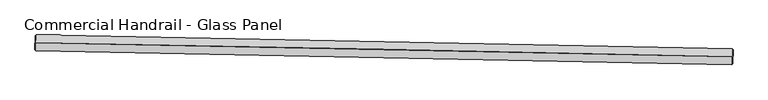
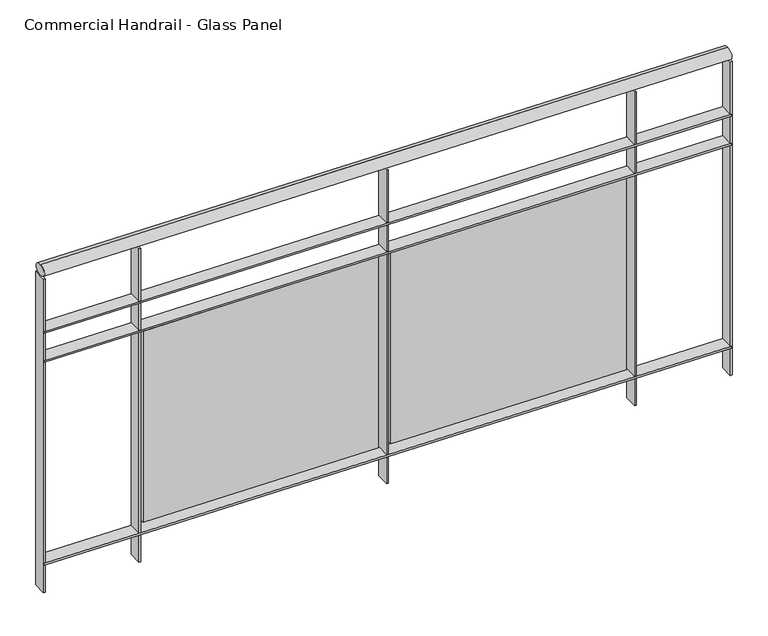
"""IFC4 building model written with IfcOpenShell, lengths in millimetres: railing geometry, Commercial Handrail - Glass Panel."""

import ifcopenshell
import ifcopenshell.guid

model = None  # the IFC model being written
_history = None  # IfcOwnerHistory: only IFC2X3 demands one
_inside = {}  # id of a spatial element -> (the spatial element, [elements in it])
_under = {}  # id of a project, library or spatial element -> (it, [spatial elements below it])
_declared = {}  # id of a project -> (the project, [libraries it declares])
_typed = {}  # id of a type object -> (the type object, [elements of that type])
_made_of = {}  # id of a material, layer set ... -> (it, [elements and type objects made of it])


def new_model(schema):
    """Start an empty IFC model of exactly this schema.

    Asked for "IFC4X3", IfcOpenShell would pick the latest addendum, in which some entities
    have other attributes; the version numbers below select the first issue.
    IFC2X3 requires an IfcOwnerHistory on every rooted entity: one is made here for all.
    """
    global model, _history
    if schema == "IFC4X3":
        model = ifcopenshell.file(schema_version=(4, 3, 0, 0))
    else:
        model = ifcopenshell.file(schema=schema)
    _inside.clear()
    _under.clear()
    _declared.clear()
    _typed.clear()
    _made_of.clear()
    _history = None
    if model.schema == "IFC2X3":
        org = make("IfcOrganization", Name="unknown")
        user = make(
            "IfcPersonAndOrganization",
            ThePerson=make("IfcPerson", FamilyName="unknown"),
            TheOrganization=org,
        )
        app = make(
            "IfcApplication",
            ApplicationDeveloper=org,
            Version="unknown",
            ApplicationFullName="unknown",
            ApplicationIdentifier="unknown",
        )
        _history = make(
            "IfcOwnerHistory",
            OwningUser=user,
            OwningApplication=app,
            ChangeAction="ADDED",
            CreationDate=0,
        )
    return model


def make(cls, **values):
    """One entity of the class cls with the attributes given. An attribute that is None is left unset."""
    return model.create_entity(
        cls, **{name: value for name, value in values.items() if value is not None}
    )


def rooted(cls, **values):
    """An entity with a GlobalId (a new one), such as an element, a storey or a relation."""
    return make(cls, GlobalId=ifcopenshell.guid.new(), OwnerHistory=_history, **values)


def si_unit(unit_type, name, prefix=None):
    """IfcSIUnit, for example si_unit("LENGTHUNIT", "METRE", prefix="MILLI")."""
    return make("IfcSIUnit", UnitType=unit_type, Prefix=prefix, Name=name)


def assignment(units):
    """IfcUnitAssignment: the units of a project."""
    return None if units is None else make("IfcUnitAssignment", Units=units)


def point(xyz):
    """IfcCartesianPoint."""
    return None if xyz is None else make("IfcCartesianPoint", Coordinates=xyz)


def direction(xyz):
    """IfcDirection."""
    return None if xyz is None else make("IfcDirection", DirectionRatios=xyz)


def frame(location, z_axis=None, x_axis=None):
    """IfcAxis2Placement3D, a coordinate frame: its origin and axes. An axis left out is left unset."""
    return make(
        "IfcAxis2Placement3D",
        Location=point(location),
        Axis=direction(z_axis),
        RefDirection=direction(x_axis),
    )


def origin():
    """The frame at (0, 0, 0) with its axes left unset."""
    return frame((0.0, 0.0, 0.0))


def place(relative_to, where):
    """IfcLocalPlacement: puts the frame where relative to a parent placement (None: the world)."""
    return make(
        "IfcLocalPlacement", PlacementRelTo=relative_to, RelativePlacement=where
    )


def context(
    kind, dimensions, precision=None, world=None, true_north=None, identifier=None
):
    """IfcGeometricRepresentationContext, for example the 3D "Model" context."""
    return make(
        "IfcGeometricRepresentationContext",
        ContextIdentifier=identifier,
        ContextType=kind,
        CoordinateSpaceDimension=dimensions,
        Precision=precision,
        WorldCoordinateSystem=world,
        TrueNorth=true_north,
    )


def project(units=None, contexts=None):
    """IfcProject with its units and contexts."""
    return rooted(
        "IfcProject",
        Name="project",
        RepresentationContexts=contexts,
        UnitsInContext=assignment(units),
    )


def spatial(cls, under=None, at=None, **own):
    """A site, building, storey or space (cls), placed at a placement, below another one or the project."""
    s = rooted(cls, ObjectPlacement=at, **own)
    if under is not None:
        _under.setdefault(under.id(), (under, []))[1].append(s)
    return s


def polyline(points):
    """IfcPolyline through the points."""
    return make("IfcPolyline", Points=[point(p) for p in points])


def circle_curve(where, radius):
    """IfcCircle in the frame where."""
    return make("IfcCircle", Position=where, Radius=radius)


def ellipse_curve(where, semi_axis1, semi_axis2):
    """IfcEllipse in the frame where."""
    return make(
        "IfcEllipse", Position=where, SemiAxis1=semi_axis1, SemiAxis2=semi_axis2
    )


def trimmed(basis, trim1, trim2, sense, master):
    """IfcTrimmedCurve: the piece of a basis curve between two trims."""
    return make(
        "IfcTrimmedCurve",
        BasisCurve=basis,
        Trim1=trim1,
        Trim2=trim2,
        SenseAgreement=sense,
        MasterRepresentation=master,
    )


def outline(outer, holes=None, kind="AREA"):
    """IfcArbitraryClosedProfileDef: a profile drawn as a closed curve; with holes, ...WithVoids."""
    if holes is None:
        return make("IfcArbitraryClosedProfileDef", ProfileType=kind, OuterCurve=outer)
    return make(
        "IfcArbitraryProfileDefWithVoids",
        ProfileType=kind,
        OuterCurve=outer,
        InnerCurves=holes,
    )


def extrude(swept, where, along, depth):
    """IfcExtrudedAreaSolid: the profile swept, set in the frame where, extruded along a direction by depth."""
    return make(
        "IfcExtrudedAreaSolid",
        SweptArea=swept,
        Position=where,
        ExtrudedDirection=direction(along),
        Depth=depth,
    )


def shape(context_of_items, identifier, shape_type, items):
    """IfcShapeRepresentation: the items that make up one representation, for example the "Body"."""
    return make(
        "IfcShapeRepresentation",
        ContextOfItems=context_of_items,
        RepresentationIdentifier=identifier,
        RepresentationType=shape_type,
        Items=items,
    )


def source(mapping_origin, context_of_items, identifier, shape_type, items):
    """IfcRepresentationMap: a shape defined once, which mapped items show again and again."""
    return make(
        "IfcRepresentationMap",
        MappingOrigin=mapping_origin,
        MappedRepresentation=shape(context_of_items, identifier, shape_type, items),
    )


def transform(
    local_origin,
    x_axis=None,
    y_axis=None,
    z_axis=None,
    scale=None,
    scale2=None,
    scale3=None,
    uniform=True,
):
    """IfcCartesianTransformationOperator3D, or its non-uniform kind. x_axis, y_axis, z_axis: its Axis1, 2, 3."""
    if uniform:
        return make(
            "IfcCartesianTransformationOperator3D",
            Axis1=direction(x_axis),
            Axis2=direction(y_axis),
            LocalOrigin=point(local_origin),
            Scale=scale,
            Axis3=direction(z_axis),
        )
    return make(
        "IfcCartesianTransformationOperator3DnonUniform",
        Axis1=direction(x_axis),
        Axis2=direction(y_axis),
        LocalOrigin=point(local_origin),
        Scale=scale,
        Axis3=direction(z_axis),
        Scale2=scale2,
        Scale3=scale3,
    )


def mapped(mapping_source, mapping_target):
    """IfcMappedItem: shows the shape of a source again, moved by a transform."""
    return make(
        "IfcMappedItem", MappingSource=mapping_source, MappingTarget=mapping_target
    )


def made_of(thing, what):
    """Note that an element or type object is made of a material, layer set ...; save() writes the relation."""
    if what is not None:
        _made_of.setdefault(what.id(), (what, []))[1].append(thing)
    return thing


def element(
    cls,
    number,
    at=None,
    inside=None,
    cuts=None,
    type_object=None,
    material=None,
    context=None,
    identifier="Body",
    shape_type=None,
    held_by="IfcProductDefinitionShape",
    body=None,
    shapes=None,
    **own,
):
    """One element of the class cls, such as IfcWall. Its Tag is "e" and its number.

    at: its placement. inside: the storey or other place that contains it. cuts: it is an
    opening in that element (IfcRelVoidsElement). A single representation is given by context,
    identifier, shape_type and body (its items); several are given by shapes. held_by: the class
    of the entity that holds the representations. save() writes the other relations.
    """
    e = rooted(cls, Tag="e%d" % number, ObjectPlacement=at, **own)
    if body is not None:
        shapes = [shape(context, identifier, shape_type, body)]
    if shapes is not None:
        e.Representation = make(held_by, Representations=shapes)
    if inside is not None:
        _inside.setdefault(inside.id(), (inside, []))[1].append(e)
    if cuts is not None:
        rooted(
            "IfcRelVoidsElement", RelatingBuildingElement=cuts, RelatedOpeningElement=e
        )
    if type_object is not None:
        _typed.setdefault(type_object.id(), (type_object, []))[1].append(e)
    return made_of(e, material)


def aggregate(whole, parts):
    """IfcRelAggregates: a whole, such as a stair, and the parts it consists of."""
    return rooted("IfcRelAggregates", RelatingObject=whole, RelatedObjects=parts)


def save(model, path):
    """Write the relations noted so far, then the file.

    IfcRelAggregates (storeys below a building ...), IfcRelContainedInSpatialStructure (elements
    in a storey), IfcRelDefinesByType, IfcRelAssociatesMaterial and IfcRelDeclares: one each for
    every whole, place, type object, material and project.
    """
    for whole, parts in _under.values():
        aggregate(whole, parts)
    for where, things in _inside.values():
        rooted(
            "IfcRelContainedInSpatialStructure",
            RelatedElements=things,
            RelatingStructure=where,
        )
    for kind, things in _typed.values():
        rooted("IfcRelDefinesByType", RelatedObjects=things, RelatingType=kind)
    for what, things in _made_of.values():
        rooted("IfcRelAssociatesMaterial", RelatedObjects=things, RelatingMaterial=what)
    for by, libraries in _declared.values():
        rooted("IfcRelDeclares", RelatingContext=by, RelatedDefinitions=libraries)
    model.write(path)


def plane_surface(at):
    """IfcPlane: the flat surface through the origin of the frame at, square to its z axis."""
    return make("IfcPlane", Position=at)


def cylinder_surface(at, radius):
    """IfcCylindricalSurface: all points at the distance radius from the z axis of the frame at."""
    return make("IfcCylindricalSurface", Position=at, Radius=radius)


def revolved_surface(curve, axis_point, axis_direction):
    """IfcSurfaceOfRevolution: the curve turned about the line through axis_point along axis_direction."""
    return make(
        "IfcSurfaceOfRevolution",
        SweptCurve=make("IfcArbitraryOpenProfileDef", ProfileType="CURVE", Curve=curve),
        AxisPosition=make("IfcAxis1Placement", Location=point(axis_point), Axis=direction(axis_direction)),
    )


def advanced_brep(points, edges, surfaces, faces):
    """IfcAdvancedBrep: a solid bounded by faces that lie on surfaces and meet in shared edges.

    An edge is (start, end): straight between two places in points (the first is 0);
    or (start, end, curve); or (start, end, curve, False) where it runs against its curve.
    A face is (place in surfaces, loops), or (place, loops, False) where it looks against
    its surface's normal. A loop lists edges by number (the first is 1), with a minus sign
    where the edge is run from its end to its start. The first loop is the outer one.
    """
    corners = [point(p) for p in points]
    vertices = [make("IfcVertexPoint", VertexGeometry=c) for c in corners]
    made = []
    for start, end, *more in edges:
        made.append(
            make(
                "IfcEdgeCurve",
                EdgeStart=vertices[start],
                EdgeEnd=vertices[end],
                EdgeGeometry=more[0] if more else make("IfcPolyline", Points=[corners[start], corners[end]]),
                SameSense=more[1] if len(more) > 1 else True,
            )
        )
    hull = []
    for where, loops, *sense in faces:
        bounds = []
        for j, loop in enumerate(loops):
            ring = [make("IfcOrientedEdge", EdgeElement=made[abs(k) - 1], Orientation=k > 0) for k in loop]
            bounds.append(
                make(
                    "IfcFaceOuterBound" if j == 0 else "IfcFaceBound",
                    Bound=make("IfcEdgeLoop", EdgeList=ring),
                    Orientation=True,
                )
            )
        hull.append(make("IfcAdvancedFace", Bounds=bounds, FaceSurface=surfaces[where], SameSense=sense[0] if sense else True))
    return make("IfcAdvancedBrep", Outer=make("IfcClosedShell", CfsFaces=hull))


def commercial_handrail_glass_panel_81bd714a(model_context):
    return source(origin(), model_context, "Body", "SolidModel", [
        advanced_brep(
        [(109450.0847955, -31519.7385661, 6082.5), (111668.0683441, -31564.3090244, 6082.5), (111668.0683441, -31564.3090244, 6117.5), (109450.0847955, -31519.7385661, 6117.5)],
        [
            (0, 1, circle_curve(frame((103958.1605732, -360026.9365691, 6082.5), z_axis=(0.0, 0.0, -1.0), x_axis=(0.023466245609922713, 0.9997246297440985, 0.0)), 328553.1012963)),
            (1, 2, ellipse_curve(frame((111668.0683441, -31564.3090244, 6100.0), z_axis=(-0.9997246297440988, 0.023466245609916253, 0.0), x_axis=(0.023466245609916246, 0.9997246297440986, 0.0)), 25.0, 17.5)),
            (2, 3, circle_curve(frame((103958.1605732, -360026.9365691, 6117.5), z_axis=(0.0, 0.0, 1.0), x_axis=(0.023466245609922713, 0.9997246297440985, 0.0)), 328553.1012963)),
            (3, 0, ellipse_curve(frame((109450.0847955, -31519.7385661, 6100.0), z_axis=(0.999860286531577, -0.016715484348137823, 0.0), x_axis=(0.016715484348137823, 0.999860286531577, 0.0)), 25.0, 17.5)),
            (2, 1, ellipse_curve(frame((111668.0683441, -31564.3090244, 6100.0), z_axis=(-0.9997246297440988, 0.023466245609916253, 0.0), x_axis=(0.023466245609916246, 0.9997246297440986, 0.0)), 25.0, 17.5)),
            (0, 3, ellipse_curve(frame((109450.0847955, -31519.7385661, 6100.0), z_axis=(0.999860286531577, -0.016715484348137823, 0.0), x_axis=(0.016715484348137823, 0.999860286531577, 0.0)), 25.0, 17.5)),
        ],
        [
            revolved_surface(trimmed(ellipse_curve(frame((111668.0683441, -31564.3090244, 6100.0), z_axis=(0.9997246297440985, -0.023466245609922713, 0.0), x_axis=(0.0, 0.0, -1.0)), 17.5, 25.0), [point((111668.0683441, -31564.3090244, 6117.5))], [point((111668.0683441, -31564.3090244, 6082.5))], True, "CARTESIAN"), (103958.1605732, -360026.9365691, 6100.0), (0.0, 0.0, 1.0)),
            revolved_surface(trimmed(ellipse_curve(frame((111668.0683441, -31564.3090244, 6100.0), z_axis=(0.9997246297440985, -0.023466245609922713, 0.0), x_axis=(0.0, 0.0, -1.0)), 17.5, 25.0), [point((111668.0683441, -31564.3090244, 6082.5))], [point((111668.0683441, -31564.3090244, 6117.5))], True, "CARTESIAN"), (103958.1605732, -360026.9365691, 6100.0), (0.0, 0.0, 1.0)),
            plane_surface(frame((111668.0683441, -31564.3090244, 6100.0), z_axis=(0.9997246297440986, -0.023466245609922713, 0.0), x_axis=(0.023466245609922713, 0.9997246297440986, 0.0))),
            plane_surface(frame((109450.0847955, -31519.7385661, 6100.0), z_axis=(-0.999860286531577, 0.016715484348137813, 0.0), x_axis=(0.016715484348137813, 0.999860286531577, 0.0))),
        ],
        [
            (0, [[1, 2, 3, 4]]),
            (1, [[-3, 5, -1, 6]]),
            (2, [[-2, -5]]),
            (3, [[-6, -4]]),
        ],
    ),
        advanced_brep(
        [(109449.7086971, -31542.2354226, 5900.0), (111667.5403536, -31586.8028285, 5900.0), (111668.5963347, -31541.8152202, 5900.0), (109450.4608939, -31497.2417097, 5900.0), (109449.7086971, -31542.2354226, 5894.0), (111667.5403536, -31586.8028285, 5894.0), (109450.4608939, -31497.2417097, 5894.0), (111668.5963347, -31541.8152202, 5894.0)],
        [
            (0, 1, circle_curve(frame((103958.1605732, -360026.9365691, 5900.0), z_axis=(0.0, 0.0, -1.0), x_axis=(0.023466245609922713, 0.9997246297440985, 0.0)), 328530.6012963)),
            (1, 2),
            (2, 3, circle_curve(frame((103958.1605732, -360026.9365691, 5900.0), z_axis=(0.0, 0.0, 1.0), x_axis=(0.023466245609922713, 0.9997246297440985, 0.0)), 328575.6012963)),
            (3, 0),
            (4, 5, circle_curve(frame((103958.1605732, -360026.9365691, 5894.0), z_axis=(0.0, 0.0, -1.0), x_axis=(0.023466245609922713, 0.9997246297440985, 0.0)), 328530.6012963)),
            (5, 1),
            (0, 4),
            (6, 7, circle_curve(frame((103958.1605732, -360026.9365691, 5894.0), z_axis=(0.0, 0.0, -1.0), x_axis=(0.023466245609922713, 0.9997246297440985, 0.0)), 328575.6012963)),
            (7, 5),
            (4, 6),
            (2, 7),
            (6, 3),
        ],
        [
            plane_surface(frame((103958.1605732, -360026.9365691, 5900.0), z_axis=(0.0, 0.0, 1.0), x_axis=(0.023466245609922713, 0.9997246297440985, 0.0))),
            revolved_surface(polyline([(111667.54035359457, -31586.802828550455, 5900.0), (111667.54035359457, -31586.802828550455, 5894.0)]), (103958.1605732, -360026.9365691, 5900.0), (0.0, 0.0, 1.0)),
            plane_surface(frame((103958.1605732, -360026.9365691, 5894.0), z_axis=(0.0, 0.0, -1.0), x_axis=(0.023466245609922713, 0.9997246297440985, 0.0))),
            cylinder_surface(frame((103958.1605732, -360026.9365691, 5900.0), z_axis=(0.0, 0.0, 1.0), x_axis=(0.023466245609922713, 0.9997246297440985, 0.0)), 328575.6012963),
            plane_surface(frame((111668.0683441, -31564.3090244, 5900.0), z_axis=(0.9997246297440986, -0.023466245609922713, 0.0), x_axis=(0.023466245609922713, 0.9997246297440986, 0.0))),
            plane_surface(frame((109450.0847955, -31519.7385661, 5900.0), z_axis=(-0.999860286531577, 0.016715484348137813, 0.0), x_axis=(0.016715484348137813, 0.999860286531577, 0.0))),
        ],
        [
            (0, [[1, 2, 3, 4]]),
            (1, [[5, 6, -1, 7]]),
            (2, [[8, 9, -5, 10]]),
            (3, [[-3, 11, -8, 12]]),
            (4, [[-2, -6, -9, -11]]),
            (5, [[-12, -10, -7, -4]]),
        ],
    ),
        advanced_brep(
        [(109449.7086971, -31542.2354226, 5800.0), (111667.5403536, -31586.8028285, 5800.0), (111668.5963347, -31541.8152202, 5800.0), (109450.4608939, -31497.2417097, 5800.0), (109449.7086971, -31542.2354226, 5794.0), (111667.5403536, -31586.8028285, 5794.0), (109450.4608939, -31497.2417097, 5794.0), (111668.5963347, -31541.8152202, 5794.0)],
        [
            (0, 1, circle_curve(frame((103958.1605732, -360026.9365691, 5800.0), z_axis=(0.0, 0.0, -1.0), x_axis=(0.023466245609922713, 0.9997246297440985, 0.0)), 328530.6012963)),
            (1, 2),
            (2, 3, circle_curve(frame((103958.1605732, -360026.9365691, 5800.0), z_axis=(0.0, 0.0, 1.0), x_axis=(0.023466245609922713, 0.9997246297440985, 0.0)), 328575.6012963)),
            (3, 0),
            (4, 5, circle_curve(frame((103958.1605732, -360026.9365691, 5794.0), z_axis=(0.0, 0.0, -1.0), x_axis=(0.023466245609922713, 0.9997246297440985, 0.0)), 328530.6012963)),
            (5, 1),
            (0, 4),
            (6, 7, circle_curve(frame((103958.1605732, -360026.9365691, 5794.0), z_axis=(0.0, 0.0, -1.0), x_axis=(0.023466245609922713, 0.9997246297440985, 0.0)), 328575.6012963)),
            (7, 5),
            (4, 6),
            (2, 7),
            (6, 3),
        ],
        [
            plane_surface(frame((103958.1605732, -360026.9365691, 5800.0), z_axis=(0.0, 0.0, 1.0), x_axis=(0.023466245609922713, 0.9997246297440985, 0.0))),
            revolved_surface(polyline([(111667.54035359457, -31586.802828550455, 5800.0), (111667.54035359457, -31586.802828550455, 5794.0)]), (103958.1605732, -360026.9365691, 5800.0), (0.0, 0.0, 1.0)),
            plane_surface(frame((103958.1605732, -360026.9365691, 5794.0), z_axis=(0.0, 0.0, -1.0), x_axis=(0.023466245609922713, 0.9997246297440985, 0.0))),
            cylinder_surface(frame((103958.1605732, -360026.9365691, 5800.0), z_axis=(0.0, 0.0, 1.0), x_axis=(0.023466245609922713, 0.9997246297440985, 0.0)), 328575.6012963),
            plane_surface(frame((111668.0683441, -31564.3090244, 5800.0), z_axis=(0.9997246297440986, -0.023466245609922713, 0.0), x_axis=(0.023466245609922713, 0.9997246297440986, 0.0))),
            plane_surface(frame((109450.0847955, -31519.7385661, 5800.0), z_axis=(-0.999860286531577, 0.016715484348137813, 0.0), x_axis=(0.016715484348137813, 0.999860286531577, 0.0))),
        ],
        [
            (0, [[1, 2, 3, 4]]),
            (1, [[5, 6, -1, 7]]),
            (2, [[8, 9, -5, 10]]),
            (3, [[-3, 11, -8, 12]]),
            (4, [[-2, -6, -9, -11]]),
            (5, [[-12, -10, -7, -4]]),
        ],
    ),
        advanced_brep(
        [(109449.7086971, -31542.2354226, 5100.0), (111667.5403536, -31586.8028285, 5100.0), (111668.5963347, -31541.8152202, 5100.0), (109450.4608939, -31497.2417097, 5100.0), (109449.7086971, -31542.2354226, 5094.0), (111667.5403536, -31586.8028285, 5094.0), (109450.4608939, -31497.2417097, 5094.0), (111668.5963347, -31541.8152202, 5094.0)],
        [
            (0, 1, circle_curve(frame((103958.1605732, -360026.9365691, 5100.0), z_axis=(0.0, 0.0, -1.0), x_axis=(0.023466245609922713, 0.9997246297440985, 0.0)), 328530.6012963)),
            (1, 2),
            (2, 3, circle_curve(frame((103958.1605732, -360026.9365691, 5100.0), z_axis=(0.0, 0.0, 1.0), x_axis=(0.023466245609922713, 0.9997246297440985, 0.0)), 328575.6012963)),
            (3, 0),
            (4, 5, circle_curve(frame((103958.1605732, -360026.9365691, 5094.0), z_axis=(0.0, 0.0, -1.0), x_axis=(0.023466245609922713, 0.9997246297440985, 0.0)), 328530.6012963)),
            (5, 1),
            (0, 4),
            (6, 7, circle_curve(frame((103958.1605732, -360026.9365691, 5094.0), z_axis=(0.0, 0.0, -1.0), x_axis=(0.023466245609922713, 0.9997246297440985, 0.0)), 328575.6012963)),
            (7, 5),
            (4, 6),
            (2, 7),
            (6, 3),
        ],
        [
            plane_surface(frame((103958.1605732, -360026.9365691, 5100.0), z_axis=(0.0, 0.0, 1.0), x_axis=(0.023466245609922713, 0.9997246297440985, 0.0))),
            revolved_surface(polyline([(111667.54035359457, -31586.802828550455, 5100.0), (111667.54035359457, -31586.802828550455, 5094.0)]), (103958.1605732, -360026.9365691, 5100.0), (0.0, 0.0, 1.0)),
            plane_surface(frame((103958.1605732, -360026.9365691, 5094.0), z_axis=(0.0, 0.0, -1.0), x_axis=(0.023466245609922713, 0.9997246297440985, 0.0))),
            cylinder_surface(frame((103958.1605732, -360026.9365691, 5100.0), z_axis=(0.0, 0.0, 1.0), x_axis=(0.023466245609922713, 0.9997246297440985, 0.0)), 328575.6012963),
            plane_surface(frame((111668.0683441, -31564.3090244, 5100.0), z_axis=(0.9997246297440986, -0.023466245609922713, 0.0), x_axis=(0.023466245609922713, 0.9997246297440986, 0.0))),
            plane_surface(frame((109450.0847955, -31519.7385661, 5100.0), z_axis=(-0.999860286531577, 0.016715484348137813, 0.0), x_axis=(0.016715484348137813, 0.999860286531577, 0.0))),
        ],
        [
            (0, [[1, 2, 3, 4]]),
            (1, [[5, 6, -1, 7]]),
            (2, [[8, 9, -5, 10]]),
            (3, [[-3, 11, -8, 12]]),
            (4, [[-2, -6, -9, -11]]),
            (5, [[-12, -10, -7, -4]]),
        ],
    ),
        extrude(outline(polyline([(109762.6536892, -31502.6092569), (109761.8591469, -31547.602242), (109755.8600823, -31547.496303), (109756.6546246, -31502.503318), (109762.6536892, -31502.6092569)])), frame((0.0, 0.0, 5000.0), z_axis=(0.0, 0.0, 1.0), x_axis=(1.0, 0.0, 0.0)), (0.0, 0.0, 1.0), 1082.1192282),
        extrude(outline(polyline([(110539.0092025, -31545.529787), (109779.1445776, -31531.185736), (109779.3710626, -31519.1878735), (110539.2356875, -31533.5319245), (110539.0092025, -31545.529787)])), frame((0.0, 0.0, 5120.0), z_axis=(0.0, 0.0, 1.0), x_axis=(1.0, 0.0, 0.0)), (0.0, 0.0, 1.0), 660.0),
        extrude(outline(polyline([(110562.5656296, -31517.7165918), (110561.6615355, -31562.7075088), (110555.6627466, -31562.5869629), (110556.5668406, -31517.5960459), (110562.5656296, -31517.7165918)])), frame((0.0, 0.0, 5000.0), z_axis=(0.0, 0.0, 1.0), x_axis=(1.0, 0.0, 0.0)), (0.0, 0.0, 1.0), 1082.1192282),
        extrude(outline(polyline([(111338.8143335, -31562.5273551), (110578.9868877, -31546.33314), (110579.2425858, -31534.3358646), (111339.0700316, -31550.5300797), (111338.8143335, -31562.5273551)])), frame((0.0, 0.0, 5120.0), z_axis=(0.0, 0.0, 1.0), x_axis=(1.0, 0.0, 0.0)), (0.0, 0.0, 1.0), 660.0),
        extrude(outline(polyline([(111362.4384136, -31534.7716003), (111361.4247731, -31579.7601825), (111355.4262954, -31579.6250305), (111356.4399359, -31534.6364482), (111362.4384136, -31534.7716003)])), frame((0.0, 0.0, 5000.0), z_axis=(0.0, 0.0, 1.0), x_axis=(1.0, 0.0, 0.0)), (0.0, 0.0, 1.0), 1082.1192282),
        extrude(outline(polyline([(109453.4604747, -31497.2918561), (109452.7082779, -31542.285569), (109446.7091162, -31542.1852761), (109447.461313, -31497.1915632), (109453.4604747, -31497.2918561)])), frame((0.0, 0.0, 5000.0), z_axis=(0.0, 0.0, 1.0), x_axis=(1.0, 0.0, 0.0)), (0.0, 0.0, 1.0), 1082.1192282),
        extrude(outline(polyline([(111671.5955086, -31541.8856189), (111670.5395275, -31586.8732273), (111664.5411797, -31586.7324298), (111665.5971608, -31541.7448215), (111671.5955086, -31541.8856189)])), frame((0.0, 0.0, 5000.0), z_axis=(0.0, 0.0, 1.0), x_axis=(1.0, 0.0, 0.0)), (0.0, 0.0, 1.0), 1082.1192282),
    ])


if __name__ == "__main__":
    model = new_model("IFC4")
    model_context = context("Model", 3, world=origin())
    ifc_project = project(units=[si_unit("LENGTHUNIT", "METRE", prefix="MILLI")], contexts=[model_context])
    site = spatial("IfcSite", under=ifc_project)
    building = spatial("IfcBuilding", under=site)
    placement = place(None, origin())
    commercial_handrail_glass_panel_shape = commercial_handrail_glass_panel_81bd714a(model_context)
    element("IfcRailing", 1, ObjectType="Commercial Handrail - Glass Panel", at=placement, inside=building, context=model_context, shape_type="MappedRepresentation", body=[
        mapped(commercial_handrail_glass_panel_shape, transform((0.0, 0.0, 0.0), x_axis=(1.0, 0.0, 0.0), y_axis=(0.0, 1.0, 0.0), z_axis=(0.0, 0.0, 1.0))),
    ])
    save(model, "model.ifc")
